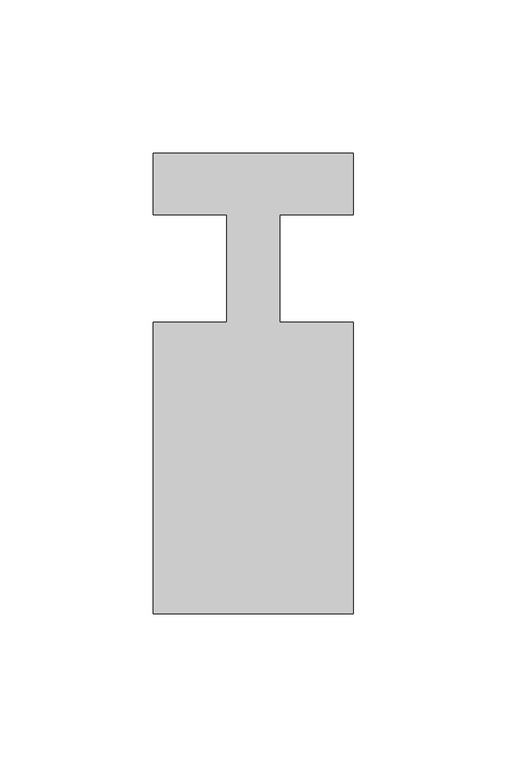
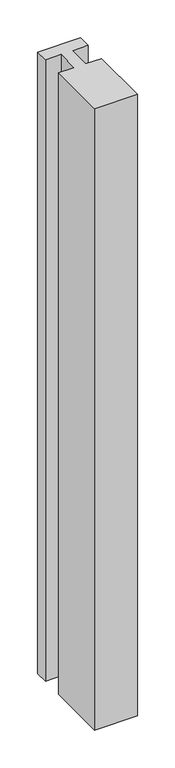
"""IFC4 building model written with IfcOpenShell, lengths in millimetres: member geometry."""

from ifc_helpers import new_model, si_unit, frame, origin, place, context, project, spatial, polyline, outline, extrude, source, transform, mapped, element, save


def member_8210d425(model_context):
    return source(origin(), model_context, "Body", "SweptSolid", [
        extrude(outline(polyline([(-65.0, 37.0), (0.0, 37.0), (0.0, 17.0), (-23.8125, 17.0), (-23.8125, -18.0), (0.0, -18.0), (0.0, -113.0), (-65.0, -113.0), (-65.0, -18.0), (-41.1875, -18.0), (-41.1875, 17.0), (-65.0, 17.0), (-65.0, 37.0)])), frame((0.0, 0.0, -1000.0), z_axis=(0.0, 0.0, 1.0), x_axis=(1.0, 0.0, 0.0)), (0.0, 0.0, 1.0), 1000.0),
    ])


if __name__ == "__main__":
    model = new_model("IFC4")
    model_context = context("Model", 3, world=origin())
    ifc_project = project(units=[si_unit("LENGTHUNIT", "METRE", prefix="MILLI")], contexts=[model_context])
    site = spatial("IfcSite", under=ifc_project)
    building = spatial("IfcBuilding", under=site)
    placement = place(None, origin())
    member_shape = member_8210d425(model_context)
    element("IfcMember", 1, at=placement, inside=building, context=model_context, shape_type="MappedRepresentation", body=[
        mapped(member_shape, transform((0.0, 0.0, 0.0), x_axis=(1.0, 0.0, 0.0), y_axis=(0.0, 1.0, 0.0), z_axis=(0.0, 0.0, 1.0))),
    ])
    save(model, "model.ifc")
